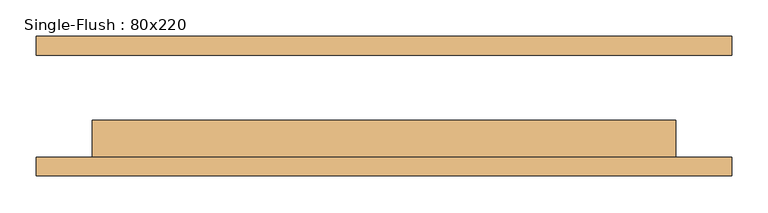
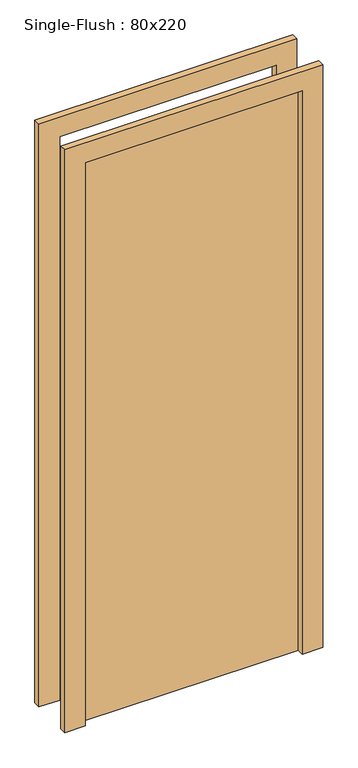
"""IFC4 building model written with IfcOpenShell, lengths in millimetres: door geometry, Single-Flush : 80x220."""

import ifcopenshell
import ifcopenshell.guid

model = None  # the IFC model being written
_history = None  # IfcOwnerHistory: only IFC2X3 demands one
_inside = {}  # id of a spatial element -> (the spatial element, [elements in it])
_under = {}  # id of a project, library or spatial element -> (it, [spatial elements below it])
_declared = {}  # id of a project -> (the project, [libraries it declares])
_typed = {}  # id of a type object -> (the type object, [elements of that type])
_made_of = {}  # id of a material, layer set ... -> (it, [elements and type objects made of it])


def new_model(schema):
    """Start an empty IFC model of exactly this schema.

    Asked for "IFC4X3", IfcOpenShell would pick the latest addendum, in which some entities
    have other attributes; the version numbers below select the first issue.
    IFC2X3 requires an IfcOwnerHistory on every rooted entity: one is made here for all.
    """
    global model, _history
    if schema == "IFC4X3":
        model = ifcopenshell.file(schema_version=(4, 3, 0, 0))
    else:
        model = ifcopenshell.file(schema=schema)
    _inside.clear()
    _under.clear()
    _declared.clear()
    _typed.clear()
    _made_of.clear()
    _history = None
    if model.schema == "IFC2X3":
        org = make("IfcOrganization", Name="unknown")
        user = make(
            "IfcPersonAndOrganization",
            ThePerson=make("IfcPerson", FamilyName="unknown"),
            TheOrganization=org,
        )
        app = make(
            "IfcApplication",
            ApplicationDeveloper=org,
            Version="unknown",
            ApplicationFullName="unknown",
            ApplicationIdentifier="unknown",
        )
        _history = make(
            "IfcOwnerHistory",
            OwningUser=user,
            OwningApplication=app,
            ChangeAction="ADDED",
            CreationDate=0,
        )
    return model


def make(cls, **values):
    """One entity of the class cls with the attributes given. An attribute that is None is left unset."""
    return model.create_entity(
        cls, **{name: value for name, value in values.items() if value is not None}
    )


def rooted(cls, **values):
    """An entity with a GlobalId (a new one), such as an element, a storey or a relation."""
    return make(cls, GlobalId=ifcopenshell.guid.new(), OwnerHistory=_history, **values)


def si_unit(unit_type, name, prefix=None):
    """IfcSIUnit, for example si_unit("LENGTHUNIT", "METRE", prefix="MILLI")."""
    return make("IfcSIUnit", UnitType=unit_type, Prefix=prefix, Name=name)


def assignment(units):
    """IfcUnitAssignment: the units of a project."""
    return None if units is None else make("IfcUnitAssignment", Units=units)


def point(xyz):
    """IfcCartesianPoint."""
    return None if xyz is None else make("IfcCartesianPoint", Coordinates=xyz)


def direction(xyz):
    """IfcDirection."""
    return None if xyz is None else make("IfcDirection", DirectionRatios=xyz)


def frame(location, z_axis=None, x_axis=None):
    """IfcAxis2Placement3D, a coordinate frame: its origin and axes. An axis left out is left unset."""
    return make(
        "IfcAxis2Placement3D",
        Location=point(location),
        Axis=direction(z_axis),
        RefDirection=direction(x_axis),
    )


def origin():
    """The frame at (0, 0, 0) with its axes left unset."""
    return frame((0.0, 0.0, 0.0))


def origin_with_axes():
    """The frame at (0, 0, 0) with the z axis (0, 0, 1) and the x axis (1, 0, 0) written out."""
    return frame((0.0, 0.0, 0.0), z_axis=(0.0, 0.0, 1.0), x_axis=(1.0, 0.0, 0.0))


def place(relative_to, where):
    """IfcLocalPlacement: puts the frame where relative to a parent placement (None: the world)."""
    return make(
        "IfcLocalPlacement", PlacementRelTo=relative_to, RelativePlacement=where
    )


def context(
    kind, dimensions, precision=None, world=None, true_north=None, identifier=None
):
    """IfcGeometricRepresentationContext, for example the 3D "Model" context."""
    return make(
        "IfcGeometricRepresentationContext",
        ContextIdentifier=identifier,
        ContextType=kind,
        CoordinateSpaceDimension=dimensions,
        Precision=precision,
        WorldCoordinateSystem=world,
        TrueNorth=true_north,
    )


def project(units=None, contexts=None):
    """IfcProject with its units and contexts."""
    return rooted(
        "IfcProject",
        Name="project",
        RepresentationContexts=contexts,
        UnitsInContext=assignment(units),
    )


def spatial(cls, under=None, at=None, **own):
    """A site, building, storey or space (cls), placed at a placement, below another one or the project."""
    s = rooted(cls, ObjectPlacement=at, **own)
    if under is not None:
        _under.setdefault(under.id(), (under, []))[1].append(s)
    return s


def polyline(points):
    """IfcPolyline through the points."""
    return make("IfcPolyline", Points=[point(p) for p in points])


def outline(outer, holes=None, kind="AREA"):
    """IfcArbitraryClosedProfileDef: a profile drawn as a closed curve; with holes, ...WithVoids."""
    if holes is None:
        return make("IfcArbitraryClosedProfileDef", ProfileType=kind, OuterCurve=outer)
    return make(
        "IfcArbitraryProfileDefWithVoids",
        ProfileType=kind,
        OuterCurve=outer,
        InnerCurves=holes,
    )


def extrude(swept, where, along, depth):
    """IfcExtrudedAreaSolid: the profile swept, set in the frame where, extruded along a direction by depth."""
    return make(
        "IfcExtrudedAreaSolid",
        SweptArea=swept,
        Position=where,
        ExtrudedDirection=direction(along),
        Depth=depth,
    )


def shape(context_of_items, identifier, shape_type, items):
    """IfcShapeRepresentation: the items that make up one representation, for example the "Body"."""
    return make(
        "IfcShapeRepresentation",
        ContextOfItems=context_of_items,
        RepresentationIdentifier=identifier,
        RepresentationType=shape_type,
        Items=items,
    )


def source(mapping_origin, context_of_items, identifier, shape_type, items):
    """IfcRepresentationMap: a shape defined once, which mapped items show again and again."""
    return make(
        "IfcRepresentationMap",
        MappingOrigin=mapping_origin,
        MappedRepresentation=shape(context_of_items, identifier, shape_type, items),
    )


def transform(
    local_origin,
    x_axis=None,
    y_axis=None,
    z_axis=None,
    scale=None,
    scale2=None,
    scale3=None,
    uniform=True,
):
    """IfcCartesianTransformationOperator3D, or its non-uniform kind. x_axis, y_axis, z_axis: its Axis1, 2, 3."""
    if uniform:
        return make(
            "IfcCartesianTransformationOperator3D",
            Axis1=direction(x_axis),
            Axis2=direction(y_axis),
            LocalOrigin=point(local_origin),
            Scale=scale,
            Axis3=direction(z_axis),
        )
    return make(
        "IfcCartesianTransformationOperator3DnonUniform",
        Axis1=direction(x_axis),
        Axis2=direction(y_axis),
        LocalOrigin=point(local_origin),
        Scale=scale,
        Axis3=direction(z_axis),
        Scale2=scale2,
        Scale3=scale3,
    )


def mapped(mapping_source, mapping_target):
    """IfcMappedItem: shows the shape of a source again, moved by a transform."""
    return make(
        "IfcMappedItem", MappingSource=mapping_source, MappingTarget=mapping_target
    )


def made_of(thing, what):
    """Note that an element or type object is made of a material, layer set ...; save() writes the relation."""
    if what is not None:
        _made_of.setdefault(what.id(), (what, []))[1].append(thing)
    return thing


def element(
    cls,
    number,
    at=None,
    inside=None,
    cuts=None,
    type_object=None,
    material=None,
    context=None,
    identifier="Body",
    shape_type=None,
    held_by="IfcProductDefinitionShape",
    body=None,
    shapes=None,
    **own,
):
    """One element of the class cls, such as IfcWall. Its Tag is "e" and its number.

    at: its placement. inside: the storey or other place that contains it. cuts: it is an
    opening in that element (IfcRelVoidsElement). A single representation is given by context,
    identifier, shape_type and body (its items); several are given by shapes. held_by: the class
    of the entity that holds the representations. save() writes the other relations.
    """
    e = rooted(cls, Tag="e%d" % number, ObjectPlacement=at, **own)
    if body is not None:
        shapes = [shape(context, identifier, shape_type, body)]
    if shapes is not None:
        e.Representation = make(held_by, Representations=shapes)
    if inside is not None:
        _inside.setdefault(inside.id(), (inside, []))[1].append(e)
    if cuts is not None:
        rooted(
            "IfcRelVoidsElement", RelatingBuildingElement=cuts, RelatedOpeningElement=e
        )
    if type_object is not None:
        _typed.setdefault(type_object.id(), (type_object, []))[1].append(e)
    return made_of(e, material)


def aggregate(whole, parts):
    """IfcRelAggregates: a whole, such as a stair, and the parts it consists of."""
    return rooted("IfcRelAggregates", RelatingObject=whole, RelatedObjects=parts)


def save(model, path):
    """Write the relations noted so far, then the file.

    IfcRelAggregates (storeys below a building ...), IfcRelContainedInSpatialStructure (elements
    in a storey), IfcRelDefinesByType, IfcRelAssociatesMaterial and IfcRelDeclares: one each for
    every whole, place, type object, material and project.
    """
    for whole, parts in _under.values():
        aggregate(whole, parts)
    for where, things in _inside.values():
        rooted(
            "IfcRelContainedInSpatialStructure",
            RelatedElements=things,
            RelatingStructure=where,
        )
    for kind, things in _typed.values():
        rooted("IfcRelDefinesByType", RelatedObjects=things, RelatingType=kind)
    for what, things in _made_of.values():
        rooted("IfcRelAssociatesMaterial", RelatedObjects=things, RelatingMaterial=what)
    for by, libraries in _declared.values():
        rooted("IfcRelDeclares", RelatingContext=by, RelatedDefinitions=libraries)
    model.write(path)


def single_flush_80x220_2d44d3fd(model_context):
    return source(origin(), model_context, "Body", "SweptSolid", [
        extrude(outline(polyline([(2276.2, -476.2), (0.0, -476.2), (0.0, -400.0), (2200.0, -400.0), (2200.0, 400.0), (0.0, 400.0), (0.0, 476.2), (2276.2, 476.2), (2276.2, -476.2)])), frame((0.0, -95.4, 0.0), z_axis=(0.0, 1.0, 0.0), x_axis=(0.0, 0.0, 1.0)), (0.0, 0.0, 1.0), 25.4),
        extrude(outline(polyline([(2276.2, 476.2), (2276.2, -476.2), (0.0, -476.2), (0.0, -400.0), (2200.0, -400.0), (2200.0, 400.0), (0.0, 400.0), (0.0, 476.2), (2276.2, 476.2)])), frame((0.0, 70.0, 0.0), z_axis=(0.0, 1.0, 0.0), x_axis=(0.0, 0.0, 1.0)), (0.0, 0.0, 1.0), 25.4),
        extrude(outline(polyline([(400.0, -19.2), (400.0, -70.0), (-400.0, -70.0), (-400.0, -19.2), (400.0, -19.2)])), origin_with_axes(), (0.0, 0.0, 1.0), 2200.0),
    ])


if __name__ == "__main__":
    model = new_model("IFC4")
    model_context = context("Model", 3, world=origin())
    ifc_project = project(units=[si_unit("LENGTHUNIT", "METRE", prefix="MILLI")], contexts=[model_context])
    site = spatial("IfcSite", under=ifc_project)
    building = spatial("IfcBuilding", under=site)
    placement = place(None, origin())
    single_flush_80x220_shape = single_flush_80x220_2d44d3fd(model_context)
    element("IfcDoor", 1, ObjectType="Single-Flush : 80x220", at=placement, inside=building, context=model_context, shape_type="MappedRepresentation", body=[
        mapped(single_flush_80x220_shape, transform((0.0, 0.0, 0.0), x_axis=(1.0, 0.0, 0.0), y_axis=(0.0, 1.0, 0.0), z_axis=(0.0, 0.0, 1.0))),
    ])
    save(model, "model.ifc")
